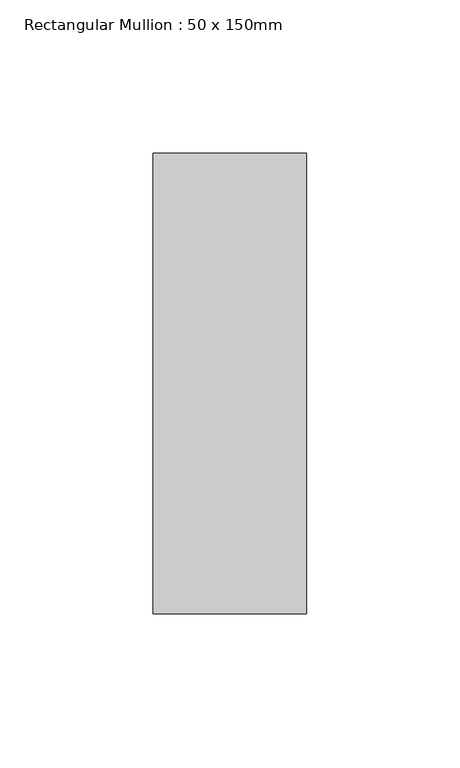
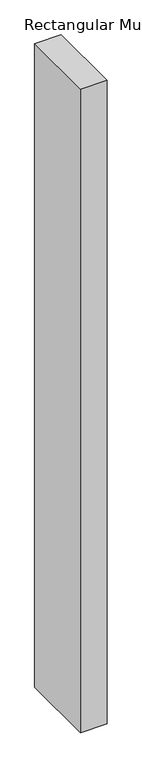
"""IFC4 building model written with IfcOpenShell, lengths in millimetres: member geometry, Rectangular Mullion : 50 x 150mm."""

from ifc_helpers import new_model, si_unit, frame, origin, place, context, project, spatial, polyline, outline, extrude, source, transform, mapped, element, save


def rectangular_mullion_50_x_150mm_72ba9142(model_context):
    return source(origin(), model_context, "Body", "SweptSolid", [
        extrude(outline(polyline([(0.0, 75.0), (0.0, -75.0), (-50.0, -75.0), (-50.0, 75.0), (0.0, 75.0)])), frame((0.0, 0.0, -1287.5), z_axis=(0.0, 0.0, 1.0), x_axis=(1.0, 0.0, 0.0)), (0.0, 0.0, 1.0), 1287.5),
    ])


if __name__ == "__main__":
    model = new_model("IFC4")
    model_context = context("Model", 3, world=origin())
    ifc_project = project(units=[si_unit("LENGTHUNIT", "METRE", prefix="MILLI")], contexts=[model_context])
    site = spatial("IfcSite", under=ifc_project)
    building = spatial("IfcBuilding", under=site)
    placement = place(None, origin())
    rectangular_mullion_50_x_150mm_shape = rectangular_mullion_50_x_150mm_72ba9142(model_context)
    element("IfcMember", 1, ObjectType="Rectangular Mullion : 50 x 150mm", at=placement, inside=building, context=model_context, shape_type="MappedRepresentation", body=[
        mapped(rectangular_mullion_50_x_150mm_shape, transform((0.0, 0.0, 0.0), x_axis=(1.0, 0.0, 0.0), y_axis=(0.0, 1.0, 0.0), z_axis=(0.0, 0.0, 1.0))),
    ])
    save(model, "model.ifc")
